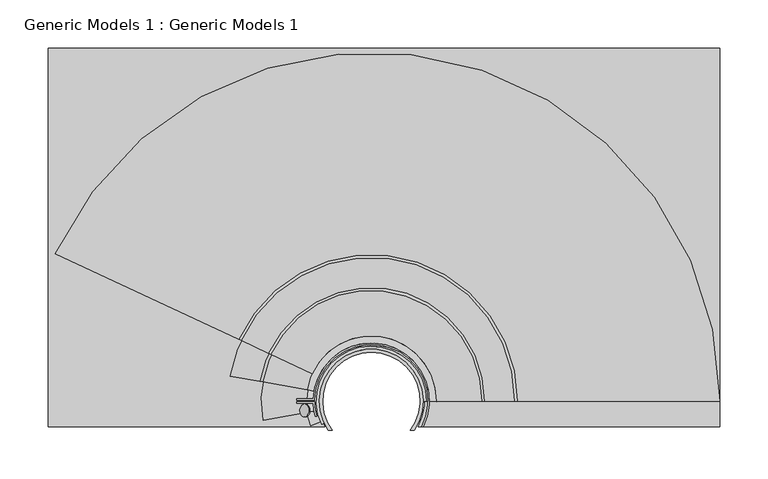
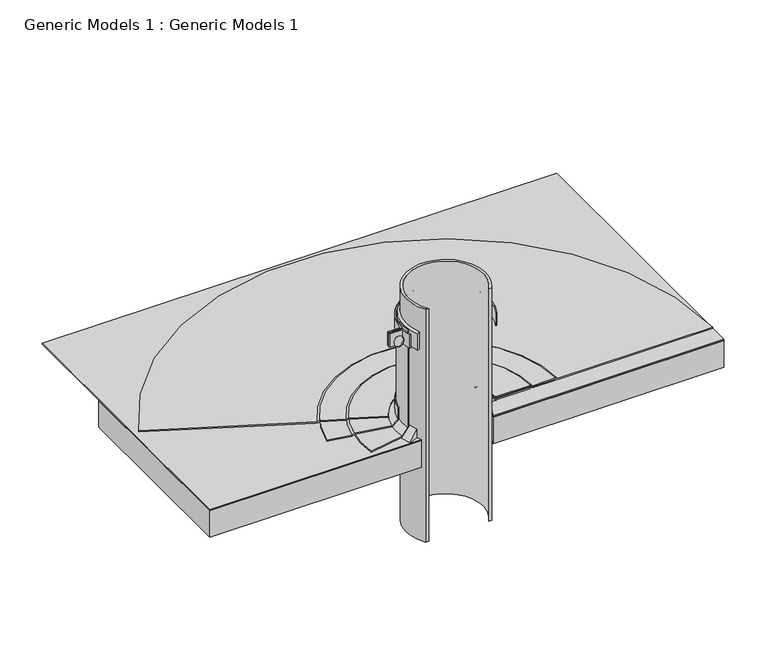
"""IFC4 building model written with IfcOpenShell, lengths in millimetres: proxy geometry, Generic Models 1 : Generic Models 1."""

from ifc_helpers import new_model, si_unit, point, frame, frame_2d, origin, place, context, project, spatial, polyline, circle_curve, ellipse_curve, trimmed, segment, composite_curve, outline, extrude, source, transform, mapped, element, save
from ifc_brep_helpers import plane_surface, cylinder_surface, revolved_surface, advanced_brep


def generic_models_1_generic_models_1_afc520fc(model_context):
    return source(origin(), model_context, "Body", "SolidModel", [
        extrude(outline(composite_curve([segment(trimmed(circle_curve(frame_2d((7.0940263, -1.1482682)), 6.6136328), [point((0.5808383, 0.0))], [point((0.5808383, -2.2965365))], False, "CARTESIAN"), True, "CONTINUOUS"), segment(polyline([(0.5808383, -2.2965365), (-0.2871582, -2.2965365), (-0.2871582, 0.0), (0.5808383, 0.0)]), True, "CONTINUOUS")], self_intersect=False)), frame((-42.7345771, 24.1499083, 506.1139344), z_axis=(-0.7071067811865462, 0.0, 0.7071067811865489), x_axis=(0.0, -1.0, 0.0)), (0.0, 0.0, 1.0), 1.5875),
        extrude(outline(composite_curve([segment(polyline([(-33.8071863, 27.6120665), (-52.8625497, 27.6120665), (-52.8625497, 29.1995665), (-35.353033, 29.1995665)]), True, "CONTINUOUS"), segment(trimmed(circle_curve(frame_2d((24.9249503, 26.8183165)), 60.325), [point((-35.353033, 29.1995665))], [point((78.9608969, 0.0))], False, "CARTESIAN"), True, "CONTINUOUS"), segment(polyline([(78.9608969, 0.0), (77.1826943, 0.0)]), True, "CONTINUOUS"), segment(trimmed(circle_curve(frame_2d((24.9249503, 26.8183165)), 58.7375), [point((77.1826943, 0.0))], [point((-33.8071863, 27.6120665))], True, "CARTESIAN"), True, "CONTINUOUS")], self_intersect=False)), frame((0.0, 0.0, 496.1427696), z_axis=(0.0, 0.0, 1.0), x_axis=(1.0, 0.0, 0.0)), (0.0, 0.0, 1.0), 19.05),
        extrude(outline(composite_curve([segment(trimmed(circle_curve(frame_2d((24.9249503, 26.8183165)), 60.325), [point((-33.3196456, 11.1125))], [point((-35.353033, 24.4370665))], False, "CARTESIAN"), True, "CONTINUOUS"), segment(polyline([(-35.353033, 24.4370665), (-52.8625497, 24.4370665), (-52.8625497, 26.0245665), (-33.8071863, 26.0245665)]), True, "CONTINUOUS"), segment(trimmed(circle_curve(frame_2d((24.9249503, 26.8183165)), 58.7375), [point((-33.8071863, 26.0245665))], [point((-31.6738238, 11.1125))], True, "CARTESIAN"), True, "CONTINUOUS"), segment(polyline([(-31.6738238, 11.1125), (-33.3196456, 11.1125)]), True, "CONTINUOUS")], self_intersect=False)), frame((0.0, 0.0, 496.1427696), z_axis=(0.0, 0.0, 1.0), x_axis=(1.0, 0.0, 0.0)), (0.0, 0.0, 1.0), 19.05),
        advanced_brep(
        [(78.8999503, 26.8183165, 520.9252815), (78.8999503, 26.8183165, 496.0797882), (82.0749503, 26.8183165, 496.0797882), (82.0749503, 26.8183165, 518.7101114), (-23.9930125, 4.0074958, 520.9252815), (-26.8705397, 2.6656828, 518.7101114), (-26.8705397, 2.6656828, 496.0797882), (-23.9930125, 4.0074958, 496.0797882)],
        [
            (0, 1),
            (1, 2),
            (2, 3),
            (3, 0, circle_curve(frame((77.9949597, 26.8183165, 516.2452133), z_axis=(0.0, -1.0, 0.0), x_axis=(1.0, 0.0, 0.0)), 4.7667648)),
            (4, 5, circle_curve(frame((-23.1728124, 4.3899614, 516.2452133), z_axis=(0.42261826174069284, -0.906307787036653, 0.0), x_axis=(-0.906307787036653, -0.42261826174069284, 0.0)), 4.7667648)),
            (5, 6),
            (6, 7),
            (7, 4),
            (7, 1, circle_curve(frame((24.9249503, 26.8183165, 496.0797882), z_axis=(0.0, 0.0, -1.0), x_axis=(1.0, 0.0, 0.0)), 53.975)),
            (0, 4, circle_curve(frame((24.9249503, 26.8183165, 520.9252815), z_axis=(0.0, 0.0, 1.0), x_axis=(1.0, 0.0, 0.0)), 53.975)),
            (6, 2, circle_curve(frame((24.9249503, 26.8183165, 496.0797882), z_axis=(0.0, 0.0, -1.0), x_axis=(1.0, 0.0, 0.0)), 57.15)),
            (5, 3, circle_curve(frame((24.9249503, 26.8183165, 518.7101114), z_axis=(0.0, 0.0, -1.0), x_axis=(1.0, 0.0, 0.0)), 57.15)),
        ],
        [
            plane_surface(frame((24.9249503, 26.8183165, 553.3315424), z_axis=(0.0, -1.0, 0.0), x_axis=(1.0, 0.0, 0.0))),
            plane_surface(frame((24.9249503, 26.8183165, 553.3315424), z_axis=(0.42261826174069284, -0.9063077870366532, 0.0), x_axis=(-0.9063077870366532, -0.42261826174069284, 0.0))),
            revolved_surface(polyline([(78.8999503, 26.8183165, 520.9252815), (78.8999503, 26.8183165, 496.0797882)]), (24.9249503, 26.8183165, 553.3315424), (0.0, 0.0, 1.0)),
            plane_surface(frame((24.9249503, 26.8183165, 496.0797882), z_axis=(0.0, 0.0, -1.0), x_axis=(1.0, 0.0, 0.0))),
            cylinder_surface(frame((24.9249503, 26.8183165, 553.3315424), z_axis=(0.0, 0.0, 1.0), x_axis=(1.0, 0.0, 0.0)), 57.15),
            revolved_surface(trimmed(ellipse_curve(frame((77.9949597, 26.8183165, 516.2452133), z_axis=(0.0, -1.0, 0.0), x_axis=(1.0, 0.0, 0.0)), 4.7667648, 4.7667648), [point((82.0749503, 26.8183165, 518.7101114))], [point((78.8999503, 26.8183165, 520.9252815))], True, "CARTESIAN"), (24.9249503, 26.8183165, 553.3315424), (0.0, 0.0, 1.0)),
        ],
        [
            (0, [[1, 2, 3, 4]]),
            (1, [[5, 6, 7, 8]]),
            (2, [[9, -1, 10, -8]]),
            (3, [[11, -2, -9, -7]]),
            (4, [[12, -3, -11, -6]]),
            (5, [[-10, -4, -12, -5]]),
        ],
    ),
        advanced_brep(
        [(139.6503197, 26.8183165, 371.140159), (142.5347345, 26.8183165, 369.4748414), (173.8593651, 26.8183165, 369.4748414), (176.74378, 26.8183165, 367.8095237), (387.35, 26.8183165, 367.8095237), (387.35, 26.8183165, 369.3970237), (177.1691493, 26.8183165, 369.3970237), (174.2847345, 26.8183165, 371.0623414), (142.9601038, 26.8183165, 371.0623414), (140.075689, 26.8183165, 372.727659), (92.8372607, 26.8183165, 372.727659), (92.8372607, 26.8183165, 371.140159), (-79.0515453, 75.3033527, 371.140159), (-36.6245054, 55.5192991, 371.140159), (-36.6245054, 55.5192991, 372.727659), (-79.4370608, 75.4831215, 372.727659), (-82.0512285, 76.7021279, 371.0623414), (-110.4409852, 89.9404889, 371.0623414), (-113.0551528, 91.1594952, 369.3970237), (-303.5436944, 179.985761, 369.3970237), (-303.5436944, 179.985761, 367.8095237), (-112.6696372, 90.9797264, 367.8095237), (-110.0554696, 89.76072, 369.4748414), (-81.6657129, 76.522359, 369.4748414)],
        [
            (0, 1),
            (1, 2),
            (2, 3),
            (3, 4),
            (4, 5),
            (5, 6),
            (6, 7),
            (7, 8),
            (8, 9),
            (9, 10),
            (10, 11),
            (11, 0),
            (12, 13),
            (13, 14),
            (14, 15),
            (15, 16),
            (16, 17),
            (17, 18),
            (18, 19),
            (19, 20),
            (20, 21),
            (21, 22),
            (22, 23),
            (23, 12),
            (22, 2, circle_curve(frame((24.9249503, 26.8183165, 369.4748414), z_axis=(0.0, 0.0, -1.0), x_axis=(1.0, 0.0, 0.0)), 148.9344148)),
            (1, 23, circle_curve(frame((24.9249503, 26.8183165, 369.4748414), z_axis=(0.0, 0.0, 1.0), x_axis=(1.0, 0.0, 0.0)), 117.6097842)),
            (0, 12, circle_curve(frame((24.9249503, 26.8183165, 371.140159), z_axis=(0.0, 0.0, 1.0), x_axis=(1.0, 0.0, 0.0)), 114.7253693)),
            (11, 13, circle_curve(frame((24.9249503, 26.8183165, 371.140159), z_axis=(0.0, 0.0, 1.0), x_axis=(1.0, 0.0, 0.0)), 67.9123104)),
            (21, 3, circle_curve(frame((24.9249503, 26.8183165, 367.8095237), z_axis=(0.0, 0.0, -1.0), x_axis=(1.0, 0.0, 0.0)), 151.8188297)),
            (20, 4, circle_curve(frame((24.9249503, 26.8183165, 367.8095237), z_axis=(0.0, 0.0, -1.0), x_axis=(1.0, 0.0, 0.0)), 362.4250497)),
            (19, 5, circle_curve(frame((24.9249503, 26.8183165, 369.3970237), z_axis=(0.0, 0.0, -1.0), x_axis=(1.0, 0.0, 0.0)), 362.4250497)),
            (18, 6, circle_curve(frame((24.9249503, 26.8183165, 369.3970237), z_axis=(0.0, 0.0, -1.0), x_axis=(1.0, 0.0, 0.0)), 152.244199)),
            (17, 7, circle_curve(frame((24.9249503, 26.8183165, 371.0623414), z_axis=(0.0, 0.0, -1.0), x_axis=(1.0, 0.0, 0.0)), 149.3597842)),
            (16, 8, circle_curve(frame((24.9249503, 26.8183165, 371.0623414), z_axis=(0.0, 0.0, -1.0), x_axis=(1.0, 0.0, 0.0)), 118.0351535)),
            (15, 9, circle_curve(frame((24.9249503, 26.8183165, 372.727659), z_axis=(0.0, 0.0, -1.0), x_axis=(1.0, 0.0, 0.0)), 115.1507387)),
            (14, 10, circle_curve(frame((24.9249503, 26.8183165, 372.727659), z_axis=(0.0, 0.0, -1.0), x_axis=(1.0, 0.0, 0.0)), 67.9123104)),
        ],
        [
            plane_surface(frame((24.9249503, 26.8183165, 553.3315424), z_axis=(0.0, -1.0, 0.0), x_axis=(1.0, 0.0, 0.0))),
            plane_surface(frame((24.9249503, 26.8183165, 553.3315424), z_axis=(-0.42261826174070477, -0.9063077870366475, 0.0), x_axis=(-0.9063077870366475, 0.42261826174070477, 0.0))),
            plane_surface(frame((24.9249503, 26.8183165, 369.4748414), z_axis=(0.0, 0.0, -1.0), x_axis=(1.0, 0.0, 0.0))),
            revolved_surface(polyline([(139.6503197, 26.8183165, 371.140159), (142.5347345, 26.8183165, 369.4748414)]), (24.9249503, 26.8183165, 553.3315424), (0.0, 0.0, 1.0)),
            plane_surface(frame((24.9249503, 26.8183165, 371.140159), z_axis=(0.0, 0.0, -1.0), x_axis=(1.0, 0.0, 0.0))),
            revolved_surface(polyline([(173.8593651, 26.8183165, 369.4748414), (176.74378, 26.8183165, 367.8095237)]), (24.9249503, 26.8183165, 553.3315424), (0.0, 0.0, 1.0)),
            plane_surface(frame((24.9249503, 26.8183165, 367.8095237), z_axis=(0.0, 0.0, -1.0), x_axis=(1.0, 0.0, 0.0))),
            cylinder_surface(frame((24.9249503, 26.8183165, 553.3315424), z_axis=(0.0, 0.0, 1.0), x_axis=(1.0, 0.0, 0.0)), 362.4250497),
            plane_surface(frame((24.9249503, 26.8183165, 369.3970237), z_axis=(0.0, 0.0, 1.0), x_axis=(1.0, 0.0, 0.0))),
            revolved_surface(polyline([(177.1691493, 26.8183165, 369.3970237), (174.2847345, 26.8183165, 371.0623414)]), (24.9249503, 26.8183165, 553.3315424), (0.0, 0.0, 1.0)),
            plane_surface(frame((24.9249503, 26.8183165, 371.0623414), z_axis=(0.0, 0.0, 1.0), x_axis=(1.0, 0.0, 0.0))),
            revolved_surface(polyline([(142.9601038, 26.8183165, 371.0623414), (140.075689, 26.8183165, 372.727659)]), (24.9249503, 26.8183165, 553.3315424), (0.0, 0.0, 1.0)),
            plane_surface(frame((24.9249503, 26.8183165, 372.727659), z_axis=(0.0, 0.0, 1.0), x_axis=(1.0, 0.0, 0.0))),
            revolved_surface(polyline([(92.8372607, 26.8183165, 372.727659), (92.8372607, 26.8183165, 371.140159)]), (24.9249503, 26.8183165, 553.3315424), (0.0, 0.0, 1.0)),
        ],
        [
            (0, [[1, 2, 3, 4, 5, 6, 7, 8, 9, 10, 11, 12]]),
            (1, [[13, 14, 15, 16, 17, 18, 19, 20, 21, 22, 23, 24]]),
            (2, [[25, -2, 26, -23]]),
            (3, [[-26, -1, 27, -24]]),
            (4, [[-27, -12, 28, -13]]),
            (5, [[29, -3, -25, -22]]),
            (6, [[30, -4, -29, -21]]),
            (7, [[31, -5, -30, -20]]),
            (8, [[32, -6, -31, -19]]),
            (9, [[33, -7, -32, -18]]),
            (10, [[34, -8, -33, -17]]),
            (11, [[35, -9, -34, -16]]),
            (12, [[36, -10, -35, -15]]),
            (13, [[-28, -11, -36, -14]]),
        ],
    ),
        advanced_brep(
        [(83.6624503, 26.8183165, 378.0699054), (92.1796967, 26.8183165, 369.552659), (139.2249503, 26.8183165, 369.552659), (142.1093651, 26.8183165, 367.8873414), (173.8593651, 26.8183165, 367.8873414), (173.8593651, 26.8183165, 369.4748414), (142.5347345, 26.8183165, 369.4748414), (139.6503197, 26.8183165, 371.140159), (92.8372607, 26.8183165, 371.140159), (85.2499503, 26.8183165, 378.7274694), (85.2499503, 26.8183165, 394.952659), (83.6624503, 26.8183165, 394.952659), (-32.9201951, 37.0179763, 378.0699054), (-32.9201951, 37.0179763, 394.952659), (-34.4835774, 37.2936428, 394.952659), (-34.4835774, 37.2936428, 378.7274694), (-41.9556195, 38.6111654, 371.140159), (-88.0574829, 46.7401678, 371.140159), (-90.898077, 47.2410412, 369.4748414), (-121.7468161, 52.6805062, 369.4748414), (-121.7468161, 52.6805062, 367.8873414), (-90.4791699, 47.1671766, 367.8873414), (-87.6385759, 46.6663032, 369.552659), (-41.3080453, 38.4969806, 369.552659)],
        [
            (0, 1),
            (1, 2),
            (2, 3),
            (3, 4),
            (4, 5),
            (5, 6),
            (6, 7),
            (7, 8),
            (8, 9),
            (9, 10),
            (10, 11),
            (11, 0),
            (12, 13),
            (13, 14),
            (14, 15),
            (15, 16),
            (16, 17),
            (17, 18),
            (18, 19),
            (19, 20),
            (20, 21),
            (21, 22),
            (22, 23),
            (23, 12),
            (22, 2, circle_curve(frame((24.9249503, 26.8183165, 369.552659), z_axis=(0.0, 0.0, -1.0), x_axis=(1.0, 0.0, 0.0)), 114.3)),
            (1, 23, circle_curve(frame((24.9249503, 26.8183165, 369.552659), z_axis=(0.0, 0.0, 1.0), x_axis=(1.0, 0.0, 0.0)), 67.2547464)),
            (0, 12, circle_curve(frame((24.9249503, 26.8183165, 378.0699054), z_axis=(0.0, 0.0, 1.0), x_axis=(1.0, 0.0, 0.0)), 58.7375)),
            (11, 13, circle_curve(frame((24.9249503, 26.8183165, 394.952659), z_axis=(0.0, 0.0, 1.0), x_axis=(1.0, 0.0, 0.0)), 58.7375)),
            (21, 3, circle_curve(frame((24.9249503, 26.8183165, 367.8873414), z_axis=(0.0, 0.0, -1.0), x_axis=(1.0, 0.0, 0.0)), 117.1844148)),
            (20, 4, circle_curve(frame((24.9249503, 26.8183165, 367.8873414), z_axis=(0.0, 0.0, -1.0), x_axis=(1.0, 0.0, 0.0)), 148.9344148)),
            (19, 5, circle_curve(frame((24.9249503, 26.8183165, 369.4748414), z_axis=(0.0, 0.0, -1.0), x_axis=(1.0, 0.0, 0.0)), 148.9344148)),
            (18, 6, circle_curve(frame((24.9249503, 26.8183165, 369.4748414), z_axis=(0.0, 0.0, -1.0), x_axis=(1.0, 0.0, 0.0)), 117.6097842)),
            (17, 7, circle_curve(frame((24.9249503, 26.8183165, 371.140159), z_axis=(0.0, 0.0, -1.0), x_axis=(1.0, 0.0, 0.0)), 114.7253693)),
            (16, 8, circle_curve(frame((24.9249503, 26.8183165, 371.140159), z_axis=(0.0, 0.0, -1.0), x_axis=(1.0, 0.0, 0.0)), 67.9123104)),
            (15, 9, circle_curve(frame((24.9249503, 26.8183165, 378.7274694), z_axis=(0.0, 0.0, -1.0), x_axis=(1.0, 0.0, 0.0)), 60.325)),
            (14, 10, circle_curve(frame((24.9249503, 26.8183165, 394.952659), z_axis=(0.0, 0.0, -1.0), x_axis=(1.0, 0.0, 0.0)), 60.325)),
        ],
        [
            plane_surface(frame((24.9249503, 26.8183165, 553.3315424), z_axis=(0.0, -1.0, 0.0), x_axis=(1.0, 0.0, 0.0))),
            plane_surface(frame((24.9249503, 26.8183165, 553.3315424), z_axis=(-0.17364817766693685, -0.984807753012207, 0.0), x_axis=(-0.984807753012207, 0.17364817766693685, 0.0))),
            plane_surface(frame((24.9249503, 26.8183165, 369.552659), z_axis=(0.0, 0.0, -1.0), x_axis=(1.0, 0.0, 0.0))),
            revolved_surface(polyline([(83.6624503, 26.8183165, 378.0699054), (92.1796967, 26.8183165, 369.552659)]), (24.9249503, 26.8183165, 553.3315424), (0.0, 0.0, 1.0)),
            revolved_surface(polyline([(83.66245029999999, 26.8183165, 394.952659), (83.66245029999999, 26.8183165, 378.0699054)]), (24.9249503, 26.8183165, 553.3315424), (0.0, 0.0, 1.0)),
            revolved_surface(polyline([(139.2249503, 26.8183165, 369.552659), (142.1093651, 26.8183165, 367.8873414)]), (24.9249503, 26.8183165, 553.3315424), (0.0, 0.0, 1.0)),
            plane_surface(frame((24.9249503, 26.8183165, 367.8873414), z_axis=(0.0, 0.0, -1.0), x_axis=(1.0, 0.0, 0.0))),
            cylinder_surface(frame((24.9249503, 26.8183165, 553.3315424), z_axis=(0.0, 0.0, 1.0), x_axis=(1.0, 0.0, 0.0)), 148.9344148),
            plane_surface(frame((24.9249503, 26.8183165, 369.4748414), z_axis=(0.0, 0.0, 1.0), x_axis=(1.0, 0.0, 0.0))),
            revolved_surface(polyline([(142.5347345, 26.8183165, 369.4748414), (139.6503197, 26.8183165, 371.140159)]), (24.9249503, 26.8183165, 553.3315424), (0.0, 0.0, 1.0)),
            plane_surface(frame((24.9249503, 26.8183165, 371.140159), z_axis=(0.0, 0.0, 1.0), x_axis=(1.0, 0.0, 0.0))),
            revolved_surface(polyline([(92.8372607, 26.8183165, 371.140159), (85.2499503, 26.8183165, 378.7274694)]), (24.9249503, 26.8183165, 553.3315424), (0.0, 0.0, 1.0)),
            cylinder_surface(frame((24.9249503, 26.8183165, 553.3315424), z_axis=(0.0, 0.0, 1.0), x_axis=(1.0, 0.0, 0.0)), 60.325),
            plane_surface(frame((24.9249503, 26.8183165, 394.952659), z_axis=(0.0, 0.0, 1.0), x_axis=(1.0, 0.0, 0.0))),
        ],
        [
            (0, [[1, 2, 3, 4, 5, 6, 7, 8, 9, 10, 11, 12]]),
            (1, [[13, 14, 15, 16, 17, 18, 19, 20, 21, 22, 23, 24]]),
            (2, [[25, -2, 26, -23]]),
            (3, [[-26, -1, 27, -24]]),
            (4, [[-27, -12, 28, -13]]),
            (5, [[29, -3, -25, -22]]),
            (6, [[30, -4, -29, -21]]),
            (7, [[31, -5, -30, -20]]),
            (8, [[32, -6, -31, -19]]),
            (9, [[33, -7, -32, -18]]),
            (10, [[34, -8, -33, -17]]),
            (11, [[35, -9, -34, -16]]),
            (12, [[36, -10, -35, -15]]),
            (13, [[-28, -11, -36, -14]]),
        ],
    ),
        advanced_brep(
        [(139.2249503, 26.8183165, 367.965159), (139.2249503, 26.8183165, 369.552659), (92.1796967, 26.8183165, 369.552659), (83.6624503, 26.8183165, 378.0699054), (83.6624503, 26.8183165, 518.7101114), (82.0749503, 26.8183165, 518.7101114), (82.0749503, 26.8183165, 377.4123414), (91.5221326, 26.8183165, 367.965159), (-87.6385759, 6.9703298, 367.965159), (-40.6604712, 15.2538371, 367.965159), (-31.3568128, 16.8943231, 377.4123414), (-31.3568128, 16.8943231, 518.7101114), (-32.9201951, 16.6186567, 518.7101114), (-32.9201951, 16.6186567, 378.0699054), (-41.3080453, 15.1396523, 369.552659), (-87.6385759, 6.9703298, 369.552659)],
        [
            (0, 1),
            (1, 2),
            (2, 3),
            (3, 4),
            (4, 5),
            (5, 6),
            (6, 7),
            (7, 0),
            (8, 9),
            (9, 10),
            (10, 11),
            (11, 12),
            (12, 13),
            (13, 14),
            (14, 15),
            (15, 8),
            (15, 1, circle_curve(frame((24.9249503, 26.8183165, 369.552659), z_axis=(0.0, 0.0, -1.0), x_axis=(1.0, 0.0, 0.0)), 114.3)),
            (0, 8, circle_curve(frame((24.9249503, 26.8183165, 367.965159), z_axis=(0.0, 0.0, 1.0), x_axis=(1.0, 0.0, 0.0)), 114.3)),
            (14, 2, circle_curve(frame((24.9249503, 26.8183165, 369.552659), z_axis=(0.0, 0.0, -1.0), x_axis=(1.0, 0.0, 0.0)), 67.2547464)),
            (13, 3, circle_curve(frame((24.9249503, 26.8183165, 378.0699054), z_axis=(0.0, 0.0, -1.0), x_axis=(1.0, 0.0, 0.0)), 58.7375)),
            (12, 4, circle_curve(frame((24.9249503, 26.8183165, 518.7101114), z_axis=(0.0, 0.0, -1.0), x_axis=(1.0, 0.0, 0.0)), 58.7375)),
            (11, 5, circle_curve(frame((24.9249503, 26.8183165, 518.7101114), z_axis=(0.0, 0.0, -1.0), x_axis=(1.0, 0.0, 0.0)), 57.15)),
            (10, 6, circle_curve(frame((24.9249503, 26.8183165, 377.4123414), z_axis=(0.0, 0.0, -1.0), x_axis=(1.0, 0.0, 0.0)), 57.15)),
            (9, 7, circle_curve(frame((24.9249503, 26.8183165, 367.965159), z_axis=(0.0, 0.0, -1.0), x_axis=(1.0, 0.0, 0.0)), 66.5971823)),
        ],
        [
            plane_surface(frame((24.9249503, 26.8183165, 553.3315424), z_axis=(0.0, -1.0, 0.0), x_axis=(1.0, 0.0, 0.0))),
            plane_surface(frame((24.9249503, 26.8183165, 553.3315424), z_axis=(0.17364817766692345, -0.9848077530122092, 0.0), x_axis=(-0.9848077530122092, -0.17364817766692345, 0.0))),
            cylinder_surface(frame((24.9249503, 26.8183165, 553.3315424), z_axis=(0.0, 0.0, 1.0), x_axis=(1.0, 0.0, 0.0)), 114.3),
            plane_surface(frame((24.9249503, 26.8183165, 369.552659), z_axis=(0.0, 0.0, 1.0), x_axis=(1.0, 0.0, 0.0))),
            revolved_surface(polyline([(92.1796967, 26.8183165, 369.552659), (83.6624503, 26.8183165, 378.0699054)]), (24.9249503, 26.8183165, 553.3315424), (0.0, 0.0, 1.0)),
            cylinder_surface(frame((24.9249503, 26.8183165, 553.3315424), z_axis=(0.0, 0.0, 1.0), x_axis=(1.0, 0.0, 0.0)), 58.7375),
            plane_surface(frame((24.9249503, 26.8183165, 518.7101114), z_axis=(0.0, 0.0, 1.0), x_axis=(1.0, 0.0, 0.0))),
            revolved_surface(polyline([(82.0749503, 26.8183165, 518.7101114), (82.0749503, 26.8183165, 377.4123414)]), (24.9249503, 26.8183165, 553.3315424), (0.0, 0.0, 1.0)),
            revolved_surface(polyline([(82.0749503, 26.8183165, 377.4123414), (91.5221326, 26.8183165, 367.965159)]), (24.9249503, 26.8183165, 553.3315424), (0.0, 0.0, 1.0)),
            plane_surface(frame((24.9249503, 26.8183165, 367.965159), z_axis=(0.0, 0.0, -1.0), x_axis=(1.0, 0.0, 0.0))),
        ],
        [
            (0, [[1, 2, 3, 4, 5, 6, 7, 8]]),
            (1, [[9, 10, 11, 12, 13, 14, 15, 16]]),
            (2, [[17, -1, 18, -16]]),
            (3, [[19, -2, -17, -15]]),
            (4, [[20, -3, -19, -14]]),
            (5, [[21, -4, -20, -13]]),
            (6, [[22, -5, -21, -12]]),
            (7, [[23, -6, -22, -11]]),
            (8, [[24, -7, -23, -10]]),
            (9, [[-18, -8, -24, -9]]),
        ],
    ),
        advanced_brep(
        [(80.4863383, 26.4667976, 380.5873414), (80.4863383, 26.4667976, 367.8873414), (93.1860842, 26.3864504, 367.8873414), (-26.521986, 5.8325081, 380.5873414), (-38.2812857, 1.0357519, 367.8873414), (-26.521986, 5.8325081, 367.8873414)],
        [
            (0, 1),
            (1, 2),
            (2, 0),
            (3, 4),
            (4, 5),
            (5, 3),
            (5, 1, circle_curve(frame((24.9249503, 26.8183165, 367.8873414), z_axis=(0.0, 0.0, -1.0), x_axis=(0.9999799871872431, -0.006326549217469668, 0.0)), 55.5625)),
            (0, 3, circle_curve(frame((24.9249503, 26.8183165, 380.5873414), z_axis=(0.0, 0.0, 1.0), x_axis=(0.9999799871872431, -0.006326549217469668, 0.0)), 55.5625)),
            (4, 2, circle_curve(frame((24.9249503, 26.8183165, 367.8873414), z_axis=(0.0, 0.0, -1.0), x_axis=(0.9999799871872431, -0.006326549217469668, 0.0)), 68.2625)),
        ],
        [
            plane_surface(frame((80.4863383, 26.4667976, 367.8873414), z_axis=(-0.0063265492174696975, -0.9999799871872432, 0.0), x_axis=(0.0, 0.0, 1.0))),
            plane_surface(frame((-26.521986, 5.8325081, 367.8873414), z_axis=(0.3776973385688917, -0.9259291119939885, 0.0), x_axis=(0.0, 0.0, 1.0))),
            revolved_surface(polyline([(80.4863383380912, 26.466797609104344, 380.5873414), (80.4863383380912, 26.466797609104344, 367.8873414)]), (24.9249503, 26.8183165, 367.8873414), (0.0, 0.0, 1.0)),
            plane_surface(frame((24.9249503, 26.8183165, 367.8873414), z_axis=(0.0, 0.0, -1.0000000000000002), x_axis=(0.9999799871872432, -0.006326549217469669, 0.0))),
            revolved_surface(polyline([(93.1860842, 26.3864504, 367.8873414), (80.4863383, 26.4667976, 380.5873414)]), (24.9249503, 26.8183165, 367.8873414), (0.0, 0.0, 1.0)),
        ],
        [
            (0, [[1, 2, 3]]),
            (1, [[4, 5, 6]]),
            (2, [[7, -1, 8, -6]]),
            (3, [[9, -2, -7, -5]]),
            (4, [[-8, -3, -9, -4]]),
        ],
    ),
        extrude(outline(composite_curve([segment(polyline([(-311.15, 393.8469389), (387.35, 393.8469389), (387.35, 0.0), (73.5867352, 0.0)]), True, "CONTINUOUS"), segment(trimmed(circle_curve(frame_2d((24.9249503, 26.8183165)), 55.5625), [point((73.5867352, 0.0))], [point((-23.7368346, 0.0))], True, "CARTESIAN"), True, "CONTINUOUS"), segment(polyline([(-23.7368346, 0.0), (-311.15, 0.0), (-311.15, 393.8469389)]), True, "CONTINUOUS")], self_intersect=False)), frame((0.0, 0.0, 367.0935914), z_axis=(0.0, 0.0, 1.0), x_axis=(1.0, 0.0, 0.0)), (0.0, 0.0, 1.0), 0.79375),
        extrude(outline(composite_curve([segment(polyline([(-311.15, 261.3017557), (387.35, 261.3017557), (387.35, 0.0), (73.5867352, 0.0)]), True, "CONTINUOUS"), segment(trimmed(circle_curve(frame_2d((24.9249503, 26.8183165)), 55.5625), [point((73.5867352, 0.0))], [point((-23.7368346, 0.0))], True, "CARTESIAN"), True, "CONTINUOUS"), segment(polyline([(-23.7368346, 0.0), (-311.15, 0.0), (-311.15, 261.3017557)]), True, "CONTINUOUS")], self_intersect=False)), frame((0.0, 0.0, 328.1998414), z_axis=(0.0, 0.0, 1.0), x_axis=(1.0, 0.0, 0.0)), (0.0, 0.0, 1.0), 38.1),
        extrude(outline(composite_curve([segment(polyline([(-15.7164484, -3.6598185), (-19.6214739, -3.6598185)]), True, "CONTINUOUS"), segment(trimmed(circle_curve(frame_2d((24.9249503, 26.8183165)), 53.975), [point((-19.6214739, -3.6598185))], [point((69.4713745, -3.6598185))], False, "CARTESIAN"), True, "CONTINUOUS"), segment(polyline([(69.4713745, -3.6598185), (65.566349, -3.6598185)]), True, "CONTINUOUS"), segment(trimmed(circle_curve(frame_2d((24.9249503, 26.8183165)), 50.8), [point((65.566349, -3.6598185))], [point((-15.7164484, -3.6598185))], True, "CARTESIAN"), True, "CONTINUOUS")], self_intersect=False)), frame((0.0, 0.0, 221.5202023), z_axis=(0.0, 0.0, 1.0), x_axis=(1.0, 0.0, 0.0)), (0.0, 0.0, 1.0), 334.1672693),
    ])


if __name__ == "__main__":
    model = new_model("IFC4")
    model_context = context("Model", 3, world=origin())
    ifc_project = project(units=[si_unit("LENGTHUNIT", "METRE", prefix="MILLI")], contexts=[model_context])
    site = spatial("IfcSite", under=ifc_project)
    building = spatial("IfcBuilding", under=site)
    placement = place(None, origin())
    generic_models_1_generic_models_1_shape = generic_models_1_generic_models_1_afc520fc(model_context)
    element("IfcBuildingElementProxy", 1, Name="Generic Models 1 : Generic Models 1", ObjectType="Generic Models 1 : Generic Models 1", at=placement, inside=building, context=model_context, shape_type="MappedRepresentation", body=[
        mapped(generic_models_1_generic_models_1_shape, transform((0.0, 0.0, 0.0), x_axis=(1.0, 0.0, 0.0), y_axis=(0.0, 1.0, 0.0), z_axis=(0.0, 0.0, 1.0))),
    ])
    save(model, "model.ifc")
